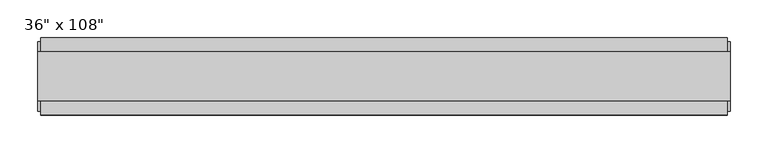
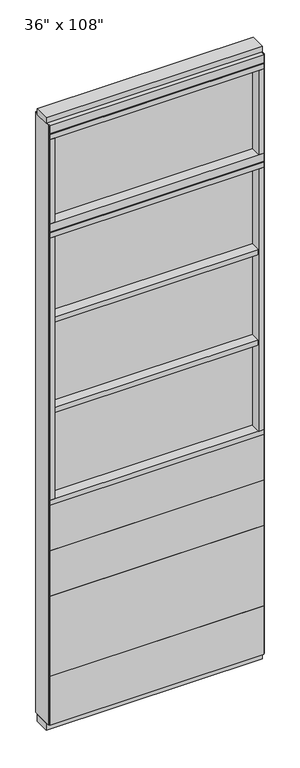
"""IFC4 building model written with IfcOpenShell, lengths in millimetres: furniture geometry."""

from ifc_helpers import new_model, si_unit, frame, origin, origin_with_axes, place, context, project, spatial, polyline, outline, extrude, source, transform, mapped, element, save


def furniture_3391ccf8(model_context):
    return source(origin(), model_context, "Body", "SweptSolid", [
        extrude(outline(polyline([(393.2264771, 46.2822784), (393.2264771, 33.5822784), (-513.2995229, 33.5822784), (-513.2995229, 46.2822784), (393.2264771, 46.2822784)])), frame((0.0, 0.0, 812.8), z_axis=(0.0, 0.0, 1.0), x_axis=(1.0, 0.0, 0.0)), (0.0, 0.0, 1.0), 203.2),
        extrude(outline(polyline([(393.2264771, 46.2822784), (393.2264771, 33.5822784), (-513.2995229, 33.5822784), (-513.2995229, 46.2822784), (393.2264771, 46.2822784)])), frame((0.0, 0.0, 609.6), z_axis=(0.0, 0.0, 1.0), x_axis=(1.0, 0.0, 0.0)), (0.0, 0.0, 1.0), 203.2),
        extrude(outline(polyline([(393.2264771, 46.2822784), (393.2264771, 33.5822784), (-513.2995229, 33.5822784), (-513.2995229, 46.2822784), (393.2264771, 46.2822784)])), frame((0.0, 0.0, 249.936), z_axis=(0.0, 0.0, 1.0), x_axis=(1.0, 0.0, 0.0)), (0.0, 0.0, 1.0), 359.664),
        extrude(outline(polyline([(393.2264771, -55.3177216), (-513.2995229, -55.3177216), (-513.2995229, -42.6177216), (393.2264771, -42.6177216), (393.2264771, -55.3177216)])), frame((0.0, 0.0, 812.8), z_axis=(0.0, 0.0, 1.0), x_axis=(1.0, 0.0, 0.0)), (0.0, 0.0, 1.0), 203.2),
        extrude(outline(polyline([(393.2264771, -55.3177216), (-513.2995229, -55.3177216), (-513.2995229, -42.6177216), (393.2264771, -42.6177216), (393.2264771, -55.3177216)])), frame((0.0, 0.0, 609.6), z_axis=(0.0, 0.0, 1.0), x_axis=(1.0, 0.0, 0.0)), (0.0, 0.0, 1.0), 203.2),
        extrude(outline(polyline([(393.2264771, -55.3177216), (-513.2995229, -55.3177216), (-513.2995229, -42.6177216), (393.2264771, -42.6177216), (393.2264771, -55.3177216)])), frame((0.0, 0.0, 249.936), z_axis=(0.0, 0.0, 1.0), x_axis=(1.0, 0.0, 0.0)), (0.0, 0.0, 1.0), 359.664),
        extrude(outline(polyline([(-491.0745229, -52.3332216), (-491.0745229, 43.2977784), (371.0014771, 43.2977784), (371.0014771, -52.3332216), (-491.0745229, -52.3332216)])), frame((0.0, 0.0, 1828.8), z_axis=(0.0, 0.0, 1.0), x_axis=(1.0, 0.0, 0.0)), (0.0, 0.0, 1.0), 22.225),
        extrude(outline(polyline([(-491.0745229, -52.3332216), (-491.0745229, 43.2977784), (371.0014771, 43.2977784), (371.0014771, -52.3332216), (-491.0745229, -52.3332216)])), frame((0.0, 0.0, 1422.4), z_axis=(0.0, 0.0, 1.0), x_axis=(1.0, 0.0, 0.0)), (0.0, 0.0, 1.0), 22.225),
        extrude(outline(polyline([(371.0014771, -9.5977216), (-491.0745229, -9.5977216), (-491.0745229, 0.5622784), (371.0014771, 0.5622784), (371.0014771, -9.5977216)])), frame((0.0, 0.0, 1038.225), z_axis=(0.0, 0.0, 1.0), x_axis=(1.0, 0.0, 0.0)), (0.0, 0.0, 1.0), 1177.925),
        extrude(outline(polyline([(393.2264771, 46.2822784), (393.2264771, 33.5822784), (-513.2995229, 33.5822784), (-513.2995229, 46.2822784), (393.2264771, 46.2822784)])), frame((0.0, 0.0, 31.75), z_axis=(0.0, 0.0, 1.0), x_axis=(1.0, 0.0, 0.0)), (0.0, 0.0, 1.0), 218.186),
        extrude(outline(polyline([(393.2264771, -55.3177216), (-513.2995229, -55.3177216), (-513.2995229, -42.6177216), (393.2264771, -42.6177216), (393.2264771, -55.3177216)])), frame((0.0, 0.0, 31.75), z_axis=(0.0, 0.0, 1.0), x_axis=(1.0, 0.0, 0.0)), (0.0, 0.0, 1.0), 218.186),
        extrude(outline(polyline([(371.0014771, -9.5977216), (-491.0745229, -9.5977216), (-491.0745229, 0.5622784), (371.0014771, 0.5622784), (371.0014771, -9.5977216)])), frame((0.0, 0.0, 2276.475), z_axis=(0.0, 0.0, 1.0), x_axis=(1.0, 0.0, 0.0)), (0.0, 0.0, 1.0), 377.825),
        extrude(outline(polyline([(371.0014771, -55.3177216), (371.0014771, 46.2822784), (393.2264771, 46.2822784), (393.2264771, -55.3177216), (371.0014771, -55.3177216)])), frame((0.0, 0.0, 2276.475), z_axis=(0.0, 0.0, 1.0), x_axis=(1.0, 0.0, 0.0)), (0.0, 0.0, 1.0), 377.825),
        extrude(outline(polyline([(-491.0745229, -55.3177216), (-513.2995229, -55.3177216), (-513.2995229, 46.2822784), (-491.0745229, 46.2822784), (-491.0745229, -55.3177216)])), frame((0.0, 0.0, 2276.475), z_axis=(0.0, 0.0, 1.0), x_axis=(1.0, 0.0, 0.0)), (0.0, 0.0, 1.0), 377.825),
        extrude(outline(polyline([(393.2264771, 46.2822784), (393.2264771, -55.3177216), (-513.2995229, -55.3177216), (-513.2995229, 46.2822784), (393.2264771, 46.2822784)])), frame((0.0, 0.0, 2212.975), z_axis=(0.0, 0.0, 1.0), x_axis=(1.0, 0.0, 0.0)), (0.0, 0.0, 1.0), 22.225),
        extrude(outline(polyline([(-55.3177216, 2240.153), (-55.3177216, 2276.475), (46.2822784, 2276.475), (46.2822784, 2240.153), (41.3292784, 2240.153), (41.3292784, 2235.2), (-50.3647216, 2235.2), (-50.3647216, 2240.153), (-55.3177216, 2240.153)])), frame((-513.2995229, 0.0, 0.0), z_axis=(1.0, 0.0, 0.0), x_axis=(0.0, 1.0, 0.0)), (0.0, 0.0, 1.0), 906.526),
        extrude(outline(polyline([(371.0014771, -55.3177216), (371.0014771, 46.2822784), (393.2264771, 46.2822784), (393.2264771, -55.3177216), (371.0014771, -55.3177216)])), frame((0.0, 0.0, 1038.225), z_axis=(0.0, 0.0, 1.0), x_axis=(1.0, 0.0, 0.0)), (0.0, 0.0, 1.0), 1174.75),
        extrude(outline(polyline([(-513.2995229, -55.3177216), (-513.2995229, 46.2822784), (393.2264771, 46.2822784), (393.2264771, -55.3177216), (-513.2995229, -55.3177216)])), frame((0.0, 0.0, 1016.0), z_axis=(0.0, 0.0, 1.0), x_axis=(1.0, 0.0, 0.0)), (0.0, 0.0, 1.0), 22.225),
        extrude(outline(polyline([(-491.0745229, -55.3177216), (-513.2995229, -55.3177216), (-513.2995229, 46.2822784), (-491.0745229, 46.2822784), (-491.0745229, -55.3177216)])), frame((0.0, 0.0, 1038.225), z_axis=(0.0, 0.0, 1.0), x_axis=(1.0, 0.0, 0.0)), (0.0, 0.0, 1.0), 1174.75),
        extrude(outline(polyline([(397.1634771, 27.9942784), (397.1634771, -37.0297216), (-517.2365229, -37.0297216), (-517.2365229, 27.9942784), (397.1634771, 27.9942784)])), origin_with_axes(), (0.0, 0.0, 1.0), 31.75),
        extrude(outline(polyline([(-517.2365229, -37.0297216), (-517.2365229, 27.9942784), (397.1634771, 27.9942784), (397.1634771, -37.0297216), (-517.2365229, -37.0297216)])), frame((0.0, 0.0, 2717.8), z_axis=(0.0, 0.0, 1.0), x_axis=(1.0, 0.0, 0.0)), (0.0, 0.0, 1.0), 25.4),
        extrude(outline(polyline([(-55.3177216, 2681.478), (-55.3177216, 2717.8), (46.2822784, 2717.8), (46.2822784, 2681.478), (41.3292784, 2681.478), (41.3292784, 2676.525), (-50.3647216, 2676.525), (-50.3647216, 2681.478), (-55.3177216, 2681.478)])), frame((-513.2995229, 0.0, 0.0), z_axis=(1.0, 0.0, 0.0), x_axis=(0.0, 1.0, 0.0)), (0.0, 0.0, 1.0), 906.526),
        extrude(outline(polyline([(393.2264771, 46.2822784), (393.2264771, -55.3177216), (-513.2995229, -55.3177216), (-513.2995229, 46.2822784), (393.2264771, 46.2822784)])), frame((0.0, 0.0, 2654.3), z_axis=(0.0, 0.0, 1.0), x_axis=(1.0, 0.0, 0.0)), (0.0, 0.0, 1.0), 22.225),
        extrude(outline(polyline([(397.1634771, -50.3647216), (393.2264771, -50.3647216), (393.2264771, 41.3292784), (397.1634771, 41.3292784), (397.1634771, -50.3647216)])), frame((0.0, 0.0, 31.75), z_axis=(0.0, 0.0, 1.0), x_axis=(1.0, 0.0, 0.0)), (0.0, 0.0, 1.0), 2686.05),
        extrude(outline(polyline([(-517.2365229, -50.3647216), (-517.2365229, 41.3292784), (-513.2995229, 41.3292784), (-513.2995229, -50.3647216), (-517.2365229, -50.3647216)])), frame((0.0, 0.0, 31.75), z_axis=(0.0, 0.0, 1.0), x_axis=(1.0, 0.0, 0.0)), (0.0, 0.0, 1.0), 2686.05),
    ])


if __name__ == "__main__":
    model = new_model("IFC4")
    model_context = context("Model", 3, world=origin())
    ifc_project = project(units=[si_unit("LENGTHUNIT", "METRE", prefix="MILLI")], contexts=[model_context])
    site = spatial("IfcSite", under=ifc_project)
    building = spatial("IfcBuilding", under=site)
    placement = place(None, origin())
    furniture_shape = furniture_3391ccf8(model_context)
    element("IfcFurniture", 1, ObjectType="36\" x 108\"", at=placement, inside=building, context=model_context, shape_type="MappedRepresentation", body=[
        mapped(furniture_shape, transform((0.0, 0.0, 0.0), x_axis=(1.0, 0.0, 0.0), y_axis=(0.0, 1.0, 0.0), z_axis=(0.0, 0.0, 1.0))),
    ])
    save(model, "model.ifc")
